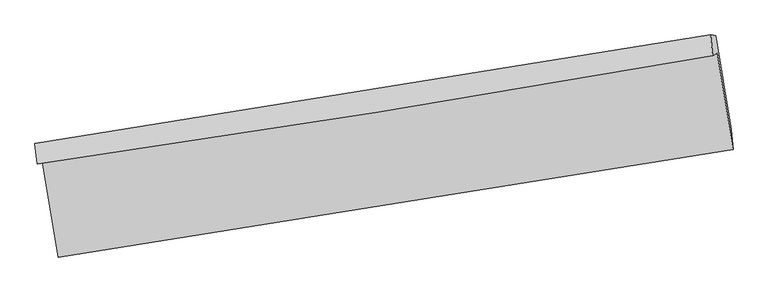
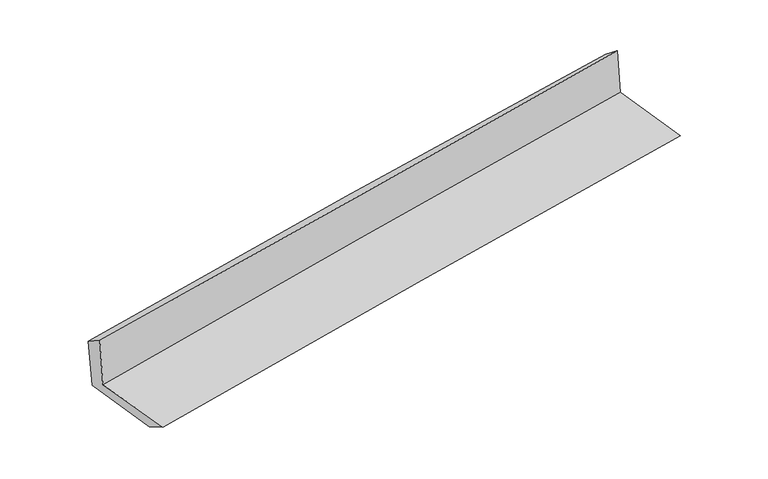
"""IFC4 building model written with IfcOpenShell, lengths in millimetres: proxy geometry."""

from ifc_helpers import new_model, si_unit, frame, origin, place, context, project, spatial, source, transform, mapped, element, save
from ifc_brep_helpers import plane_surface, spline_curve, spline_surface, advanced_brep


def generic_models_9e782e2d(model_context):
    return source(origin(), model_context, "Body", "AdvancedBrep", [
        advanced_brep(
        [(-2379.2528335, -1868.2686211, 1657.494376), (-2268.3649336, -2535.8809937, 1654.4211272), (2437.6668414, -1783.3493573, 2091.6912919), (2327.2028328, -1113.2989362, 2104.9706036), (-2414.1401632, -1886.1190213, 2068.5646712), (2294.4534578, -1128.9944575, 2488.7912593), (-2429.6062372, -1744.392383, 1981.5149054), (2281.2412456, -984.0895709, 2375.6014892), (-2393.3262064, -1740.7799649, 1580.9388673), (2316.5495915, -990.7700861, 2003.620286), (-2287.5504073, -2370.0367238, 1564.3709713), (2425.1006698, -1646.903591, 1986.4707361)],
        [
            (0, 1),
            (1, 2, spline_curve(3, [(-2268.3649336, -2535.8809937, 1654.4211272), (-1484.799885931, -2410.812578204, 1736.280008784), (-700.840411887, -2285.566177585, 1813.6492512), (867.836877205, -2034.72228497, 1959.405623498), (1652.554661287, -1909.1248067, 2027.793102461), (2437.6668414, -1783.3493573, 2091.6912919)], [4, 2, 4], [0.0, 7.852461216734532, 15.704616963561406])),
            (2, 3),
            (3, 0, spline_curve(3, [(2327.2028328, -1113.2989362, 2104.9706036), (1542.173562029, -1238.579884837, 2036.082299823), (757.461910018, -1364.133270489, 1964.349242789), (-811.356669849, -1615.789811073, 1815.190721734), (-1595.463573721, -1741.892987016, 1737.765036054), (-2379.2528335, -1868.2686211, 1657.494376)], [4, 2, 4], [0.0, 7.852155746826875, 15.704616963561406])),
            (4, 0),
            (3, 5),
            (5, 4, spline_curve(3, [(2294.4534578, -1128.9944575, 2488.7912593), (1510.942278852, -1268.294270112, 2428.464988926), (726.811531782, -1401.036790305, 2363.283747105), (-842.719626873, -1653.412155238, 2223.208595498), (-1628.120087116, -1773.044489413, 2148.314307949), (-2414.1401632, -1886.1190213, 2068.5646712)], [4, 2, 4], [0.0, 7.853589416217635, 15.70748435811651])),
            (6, 4),
            (5, 7),
            (7, 6, spline_curve(3, [(2281.2412456, -984.0895709, 2375.6014892), (1495.084556175, -1109.044608878, 2317.720815241), (709.443213682, -1234.879445969, 2255.940644417), (-860.839320788, -1488.31364837, 2124.578753067), (-1645.480472569, -1615.913081792, 2054.99672963), (-2429.6062372, -1744.392383, 1981.5149054)], [4, 2, 4], [0.0, 7.853993317287146, 15.708292175968365])),
            (8, 6),
            (7, 9),
            (9, 8, spline_curve(3, [(2316.5495915, -990.7700861, 2003.620286), (1532.304321348, -1116.953908229, 1927.267151345), (747.699677972, -1242.545438429, 1853.867760296), (-822.258893576, -1492.548777376, 1712.97372438), (-1607.61284929, -1616.960540244, 1645.479309133), (-2393.3262064, -1740.7799649, 1580.9388673)], [4, 2, 4], [0.0, 7.854111470254311, 15.708528486499162])),
            (10, 8),
            (9, 11),
            (11, 10, spline_curve(3, [(2425.1006698, -1646.903591, 1986.4707361), (1641.859761231, -1777.383541658, 1910.074319953), (857.526043955, -1902.883536321, 1836.701756709), (-713.357563353, -2143.928301231, 1696.001599937), (-1499.907538459, -2259.472684442, 1628.674241318), (-2287.5504073, -2370.0367238, 1564.3709713)], [4, 2, 4], [0.0, 7.852934541529042, 15.706174583262943])),
            (1, 10),
            (11, 2),
        ],
        [
            spline_surface(3, 3, [[(-2379.2528335, -1868.2686211, 1657.494376), (-1595.463573699, -1741.892986913, 1737.765036039), (-811.356669977, -1615.789810997, 1815.190721676), (757.461910147, -1364.133270565, 1964.349242847), (1542.173561903, -1238.579884841, 2036.082299785), (2327.2028328, -1113.2989362, 2104.9706036)], [(-2342.290200193, -2090.806078625, 1656.46995972), (-1558.575677789, -1964.866184019, 1737.270026908), (-774.517917256, -1839.048599859, 1814.676898196), (794.253565826, -1587.662942019, 1962.701369732), (1578.967261737, -1462.094858814, 2033.319234035), (2364.024169006, -1336.649076548, 2100.544166369)], [(-2305.327566907, -2313.343536175, 1655.44554348), (-1521.687781899, -2187.83938115, 1736.775017818), (-737.679164561, -2062.307388743, 1814.163074697), (831.045221478, -1811.192613496, 1961.053496597), (1615.760961553, -1685.609832843, 2030.556168278), (2400.845505194, -1559.999216952, 2096.117729131)], [(-2268.3649336, -2535.8809937, 1654.4211272), (-1484.79988599, -2410.812578256, 1736.280008687), (-700.84041184, -2285.566177605, 1813.649251217), (867.836877157, -2034.72228495, 1959.405623481), (1652.554661387, -1909.124806816, 2027.793102528), (2437.6668414, -1783.3493573, 2091.6912919)]], [4, 4], [4, 2, 4], [0.0, 2.2284452976319313], [0.0, 7.852461216734532, 15.704616963561406]),
            spline_surface(3, 3, [[(-2414.1401632, -1886.1190213, 2068.5646712), (-1628.120086988, -1773.044489523, 2148.314308039), (-842.719626953, -1653.412155172, 2223.208595497), (726.811531862, -1401.036790372, 2363.283747106), (1510.942278784, -1268.294270117, 2428.46498903), (2294.4534578, -1128.9944575, 2488.7912593)], [(-2402.511053279, -1880.168887921, 1931.541239474), (-1617.234582538, -1762.66065534, 2011.464550713), (-832.26530795, -1640.871373783, 2087.202637558), (737.028324634, -1388.735617106, 2230.305579022), (1521.352706468, -1258.389475046, 2297.670759276), (2305.369916111, -1123.762617088, 2360.851040728)], [(-2390.881943421, -1874.218754479, 1794.517807726), (-1606.34907815, -1752.276821096, 1874.614793365), (-821.81098898, -1628.330592386, 1951.196679615), (747.245117374, -1376.434443831, 2097.327410932), (1531.763134219, -1248.484679912, 2166.876529539), (2316.286374489, -1118.530776612, 2232.910822172)], [(-2379.2528335, -1868.2686211, 1657.494376), (-1595.463573699, -1741.892986913, 1737.765036039), (-811.356669977, -1615.789810997, 1815.190721676), (757.461910147, -1364.133270565, 1964.349242847), (1542.173561903, -1238.579884841, 2036.082299785), (2327.2028328, -1113.2989362, 2104.9706036)]], [4, 4], [4, 2, 4], [0.0, 1.3332613173154073], [0.0, 7.853894941898875, 15.70748435811651]),
            spline_surface(3, 3, [[(-2429.6062372, -1744.392383, 1981.5149054), (-1645.480472496, -1615.91308184, 2054.996729522), (-860.839320741, -1488.313648294, 2124.578753132), (709.443213635, -1234.879446045, 2255.940644352), (1495.084556122, -1109.044608898, 2317.720815286), (2281.2412456, -984.0895709, 2375.6014892)], [(-2424.450879197, -1791.634595765, 2010.531494011), (-1639.693677324, -1668.290217732, 2086.102589039), (-854.799422832, -1543.346483921, 2157.455367258), (715.232653024, -1290.265227488, 2291.721678608), (1500.370463687, -1162.12782931, 2354.635539843), (2285.645316345, -1032.391199772, 2413.331412542)], [(-2419.295521203, -1838.876808535, 2039.548082589), (-1633.906882161, -1720.66735363, 2117.208448522), (-848.759524862, -1598.379319545, 2190.331981372), (721.022092474, -1345.651008928, 2327.502712851), (1505.656371219, -1215.211049705, 2391.550264473), (2290.049387055, -1080.692828628, 2451.061335958)], [(-2414.1401632, -1886.1190213, 2068.5646712), (-1628.120086988, -1773.044489523, 2148.314308039), (-842.719626953, -1653.412155172, 2223.208595497), (726.811531862, -1401.036790372, 2363.283747106), (1510.942278784, -1268.294270117, 2428.46498903), (2294.4534578, -1128.9944575, 2488.7912593)]], [4, 4], [4, 2, 4], [0.0, 0.642522417432278], [0.0, 7.8542988586812195, 15.708292175968365]),
            spline_surface(3, 3, [[(-2393.3262064, -1740.7799649, 1580.9388673), (-1607.612849195, -1616.960540234, 1645.479309172), (-822.25889347, -1492.548777411, 1712.973724316), (747.699677865, -1242.545438394, 1853.86776036), (1532.304321446, -1116.953908282, 1927.26715147), (2316.5495915, -990.7700861, 2003.620286)], [(-2405.419550006, -1741.984104265, 1714.464213315), (-1620.235390301, -1616.611387434, 1781.985115937), (-835.119035881, -1491.137067698, 1850.175400603), (734.947523135, -1239.990107604, 1987.892055039), (1519.897733014, -1114.317475147, 2057.418372762), (2304.780142876, -988.543247693, 2127.61402042)], [(-2417.512893594, -1743.188243635, 1847.989559385), (-1632.85793139, -1616.26223464, 1918.490922757), (-847.97917833, -1489.725358008, 1987.377076845), (722.195368366, -1237.434776836, 2121.916349673), (1507.491144554, -1111.681042034, 2187.569593994), (2293.010694224, -986.316409307, 2251.60775478)], [(-2429.6062372, -1744.392383, 1981.5149054), (-1645.480472496, -1615.91308184, 2054.996729522), (-860.839320741, -1488.313648294, 2124.578753132), (709.443213635, -1234.879446045, 2255.940644352), (1495.084556122, -1109.044608898, 2317.720815286), (2281.2412456, -984.0895709, 2375.6014892)]], [4, 4], [4, 2, 4], [0.0, 1.3408543120787684], [0.0, 7.8544170162448514, 15.708528486499162]),
            spline_surface(3, 3, [[(-2287.5504073, -2370.0367238, 1564.3709713), (-1499.907538488, -2259.472684409, 1628.674241376), (-713.357563363, -2143.928301305, 1696.001599879), (857.526043966, -1902.883536248, 1836.701756768), (1641.859761228, -1777.383541716, 1910.07431984), (2425.1006698, -1646.903591, 1986.4707361)], [(-2322.809007022, -2160.284470832, 1569.893603303), (-1535.809308746, -2045.301969682, 1634.275930645), (-749.658006721, -1926.801793348, 1701.658974691), (820.917255276, -1682.770836972, 1842.423757965), (1605.341281285, -1557.240330553, 1915.805263698), (2388.916977018, -1428.192422682, 1992.187252714)], [(-2358.067606678, -1950.532217868, 1575.416235297), (-1571.711078937, -1831.131254961, 1639.877619903), (-785.958450112, -1709.675285367, 1707.316349504), (784.308466555, -1462.658137671, 1848.145759163), (1568.822801388, -1337.097119445, 1921.536207613), (2352.733284282, -1209.481254418, 1997.903769386)], [(-2393.3262064, -1740.7799649, 1580.9388673), (-1607.612849195, -1616.960540234, 1645.479309172), (-822.25889347, -1492.548777411, 1712.973724316), (747.699677865, -1242.545438394, 1853.86776036), (1532.304321446, -1116.953908282, 1927.26715147), (2316.5495915, -990.7700861, 2003.620286)]], [4, 4], [4, 2, 4], [0.0, 2.1821959760614504], [0.0, 7.8532400417339, 15.706174583262943]),
            spline_surface(3, 3, [[(-2268.3649336, -2535.8809937, 1654.4211272), (-1484.79988599, -2410.812578256, 1736.280008687), (-700.84041184, -2285.566177605, 1813.649251217), (867.836877157, -2034.72228495, 1959.405623481), (1652.554661387, -1909.124806816, 2027.793102528), (2437.6668414, -1783.3493573, 2091.6912919)], [(-2274.760091502, -2480.599570393, 1624.404408576), (-1489.835770158, -2360.365946967, 1700.411419593), (-705.012795704, -2238.353552174, 1774.433367411), (864.399932737, -1990.776035385, 1918.50433455), (1648.989694678, -1865.211051801, 1988.553508326), (2433.478117544, -1737.867435218, 2056.617773327)], [(-2281.155249398, -2425.318147107, 1594.387689924), (-1494.871654319, -2309.919315698, 1664.54283047), (-709.185179499, -2191.140926735, 1735.217483685), (860.962988386, -1946.829785813, 1877.603045699), (1645.424727937, -1821.297296731, 1949.313914042), (2429.289393656, -1692.385513082, 2021.544254673)], [(-2287.5504073, -2370.0367238, 1564.3709713), (-1499.907538488, -2259.472684409, 1628.674241376), (-713.357563363, -2143.928301305, 1696.001599879), (857.526043966, -1902.883536248, 1836.701756768), (1641.859761228, -1777.383541716, 1910.07431984), (2425.1006698, -1646.903591, 1986.4707361)]], [4, 4], [4, 2, 4], [0.0, 0.5984263468464585], [0.0, 7.851448840090501, 15.702592249655979]),
            plane_surface(frame((2347.0357731, -1274.5676665, 2175.1909443), z_axis=(0.9829258382444831, 0.16025241697132145, 0.09042101175185946), x_axis=(-0.09447987162364199, 0.017876063151003544, 0.9953662643591059))),
            plane_surface(frame((-2362.0401302, -2024.2462846, 1751.2174864), z_axis=(-0.9825083406820134, -0.16277454609593164, -0.09045334506550855), x_axis=(-0.16384975665277834, 0.9864748531091806, 0.004541082254921138))),
        ],
        [
            (0, [[1, 2, 3, 4]]),
            (1, [[5, -4, 6, 7]]),
            (2, [[8, -7, 9, 10]]),
            (3, [[11, -10, 12, 13]]),
            (4, [[14, -13, 15, 16]]),
            (5, [[17, -16, 18, -2]]),
            (6, [[-12, -9, -6, -3, -18, -15]]),
            (7, [[-1, -5, -8, -11, -14, -17]]),
        ],
    ),
    ])


if __name__ == "__main__":
    model = new_model("IFC4")
    model_context = context("Model", 3, world=origin())
    ifc_project = project(units=[si_unit("LENGTHUNIT", "METRE", prefix="MILLI")], contexts=[model_context])
    site = spatial("IfcSite", under=ifc_project)
    building = spatial("IfcBuilding", under=site)
    placement = place(None, origin())
    generic_models_shape = generic_models_9e782e2d(model_context)
    element("IfcBuildingElementProxy", 1, Name="Generic Models", at=placement, inside=building, context=model_context, shape_type="MappedRepresentation", body=[
        mapped(generic_models_shape, transform((0.0, 0.0, 0.0), x_axis=(1.0, 0.0, 0.0), y_axis=(0.0, 1.0, 0.0), z_axis=(0.0, 0.0, 1.0))),
    ])
    save(model, "model.ifc")
